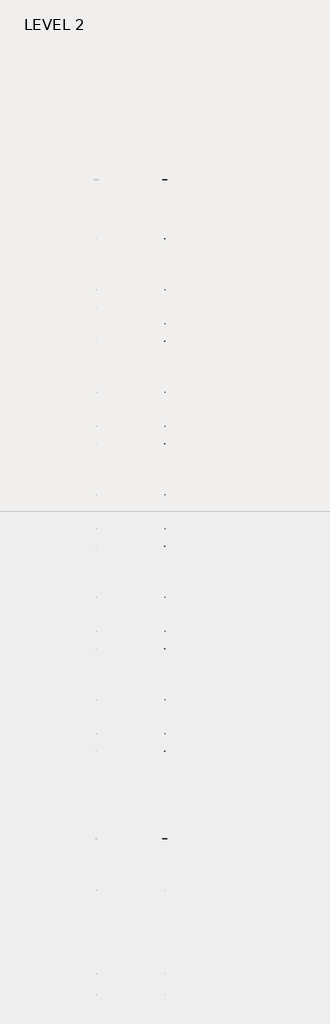
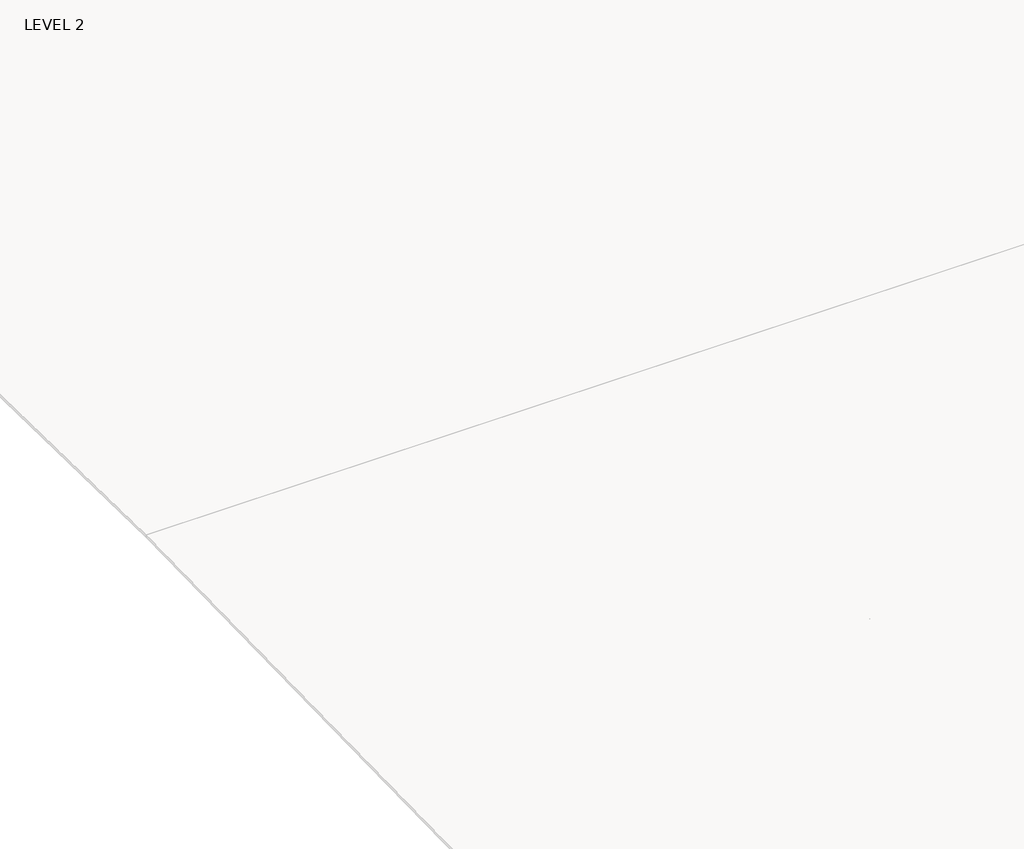
# One storey, part 15 of 67: 1 beam.
"""IFC4 building model written with IfcOpenShell, lengths in millimetres."""

from ifc_helpers import new_model, si_unit, frame, origin, place, context, project, spatial, polyline, outline, extrude, faceted_brep, element, save

model = new_model("IFC4")

# Units and contexts
model_context = context("Model", 3, world=origin())
ifc_project = project(units=[si_unit("LENGTHUNIT", "METRE", prefix="MILLI")], contexts=[model_context])

# Site, building, storey
site = spatial("IfcSite", under=ifc_project)
building = spatial("IfcBuilding", under=site)
storey = spatial("IfcBuildingStorey", under=building, Name="LEVEL 2", Elevation=6908.8)

# Beam
placement = place(None, origin())
element("IfcBeam", 1, ObjectType="K-Series Bar Joist-Angle Web : 20K3", at=placement, inside=storey, context=model_context, shape_type="SolidModel", body=[
    extrude(outline(polyline([(0.0, -9.525), (0.0, 0.0), (1028.0726483, 0.0), (1028.0726483, -9.525), (0.0, -9.525)])), frame((11206.0414942, 3036.3613819, 6301.6524755), z_axis=(0.0, -0.4584874411358172, 0.8887008868684282), x_axis=(0.0, -0.8887008868684282, -0.4584874411358172)), (0.0, 0.0, 1.0), 9.525),
    extrude(outline(polyline([(0.0, -9.525), (0.0, 0.0), (1028.0726483, 0.0), (1028.0726483, -9.525), (0.0, -9.525)])), frame((11196.5164942, -8186.8404127, 6283.7449661), z_axis=(0.0, 0.4556491282309416, 0.8901594643334322), x_axis=(0.0, 0.8901594643334322, -0.4556491282309416)), (0.0, 0.0, 1.0), 9.525),
    extrude(outline(polyline([(4.7625, 4.7624999), (4.7625, -4.7625), (-4.7625, -4.7625), (-4.7625, 4.7624999), (4.7625, 4.7624999)])), frame((11201.2789942, 2120.5287612, 5834.5265157), z_axis=(0.0, 0.5283228890365935, 0.849043535350236), x_axis=(-1.0, 0.0, 0.0)), (0.0, 0.0, 1.0), 553.9970421),
    extrude(outline(polyline([(4.7625, 4.7624999), (4.7625, -4.7625), (-4.7625, -4.7625), (-4.7625, 4.7624999), (4.7625, 4.7624999)])), frame((11201.2789942, -7269.5217859, 5819.5439446), z_axis=(0.0, -0.5310296247827163, 0.8473532543178952), x_axis=(-1.0, 0.0, 0.0)), (0.0, 0.0, 1.0), 553.9970421),
    extrude(outline(polyline([(0.0, 0.0), (31.75, 0.0), (31.75, -6.3500001), (6.35, -6.3500001), (6.35, -31.75), (0.0, -31.75), (0.0, 0.0)])), frame((11206.0414942, -7371.1115246, 5813.031842), z_axis=(0.0, 0.999998727065644, 0.0015955773537672019), x_axis=(1.0, 0.0, 0.0)), (0.0, 0.0, 1.0), 9593.2625),
    extrude(outline(polyline([(-9.525, 0.0), (-9.525, -31.75), (-15.875, -31.75), (-15.875, -6.3500001), (-41.275, -6.3500001), (-41.275, 0.0), (-9.525, 0.0)])), frame((11206.0414942, -7371.1115246, 5813.031842), z_axis=(0.0, 0.999998727065644, 0.0015955773537672019), x_axis=(1.0, 0.0, 0.0)), (0.0, 0.0, 1.0), 9593.2625),
    extrude(outline(polyline([(-31.75, 0.0), (0.0, 0.0), (0.0, -6.35), (-25.4, -6.35), (-25.4, -31.75), (-31.75, -31.75), (-31.75, 0.0)])), frame((11237.7914942, -8286.2195948, 6256.0722803), z_axis=(0.0, 0.999998727065644, 0.0015955773537672019), x_axis=(1.0, 0.0, 0.0)), (0.0, 0.0, 1.0), 101.6),
    extrude(outline(polyline([(-41.275, 0.0), (-41.275, -31.75), (-47.625, -31.75), (-47.625, -6.35), (-73.025, -6.35), (-73.025, 0.0), (-41.275, 0.0)])), frame((11237.7914942, -8286.2195948, 6256.0722803), z_axis=(0.0, 0.999998727065644, 0.0015955773537672019), x_axis=(1.0, 0.0, 0.0)), (0.0, 0.0, 1.0), 101.6),
    extrude(outline(polyline([(0.0, 0.0), (31.75, 0.0), (31.75, -6.35), (6.35, -6.35), (6.35, -31.75), (0.0, -31.75), (0.0, 0.0)])), frame((11196.5164942, 3034.228495, 6274.1349539), z_axis=(0.0, 0.999998727065644, 0.0015955773537672019), x_axis=(0.0, -0.0015955773537672019, 0.999998727065644)), (0.0, 0.0, 1.0), 101.6),
    extrude(outline(polyline([(0.0, 41.275), (6.35, 41.275), (6.35, 15.875), (31.75, 15.875), (31.75, 9.525), (0.0, 9.525), (0.0, 41.275)])), frame((11196.5164942, 3034.228495, 6274.1349539), z_axis=(0.0, 0.999998727065644, 0.0015955773537672019), x_axis=(0.0, -0.0015955773537672019, 0.999998727065644)), (0.0, 0.0, 1.0), 101.6),
    extrude(outline(polyline([(0.0, 0.0), (31.75, 0.0), (31.75, -6.35), (6.3500001, -6.35), (6.3500001, -31.75), (0.0, -31.75), (0.0, 0.0)])), frame((11206.0414942, -8286.3209139, 6319.5721995), z_axis=(0.0, 0.999998727065644, 0.0015955773537672019), x_axis=(0.0, 0.0015955773537672019, -0.999998727065644)), (0.0, 0.0, 1.0), 11422.0625),
    extrude(outline(polyline([(0.0, 9.525), (0.0, 41.275), (6.3500001, 41.275), (6.3500001, 15.875), (31.75, 15.875), (31.75, 9.525), (0.0, 9.525)])), frame((11206.0414942, -8286.3209139, 6319.5721995), z_axis=(0.0, 0.999998727065644, 0.0015955773537672019), x_axis=(0.0, 0.0015955773537672019, -0.999998727065644)), (0.0, 0.0, 1.0), 11422.0625),
    faceted_brep([(11201.2789942, 2120.5034314, 5850.4014955), (11201.2789942, 2120.5338272, 5831.3515197), (11196.5164942, 2120.5338272, 5831.3515197), (11196.5164942, 2120.5034314, 5850.4014955), (11201.2789942, 2119.6319284, 5850.4001049), (11201.2789942, 1838.122807, 6332.5515491), (11201.2789942, 1819.9443343, 6332.5225439), (11201.2789942, 1819.97473, 6313.4725681), (11201.2789942, 1827.196225, 6313.4840906), (11201.2789942, 2108.7053464, 5831.3326464), (11196.5164942, 2108.7053464, 5831.3326464), (11196.5164942, 2088.3329757, 5866.2251852), (11196.5164942, 2092.445779, 5868.626488), (11196.5164942, 1840.5691967, 6300.0251486), (11196.5164942, 1836.4563934, 6297.6238457), (11196.5164942, 1827.196225, 6313.4840906), (11196.5164942, 1819.97473, 6313.4725681), (11196.5164942, 1819.9443343, 6332.5225439), (11196.5164942, 1838.122807, 6332.5515491), (11196.5164942, 2119.6319284, 5850.4001049), (11183.8164942, 1836.4563934, 6297.6238457), (11183.8164942, 2088.3329757, 5866.2251852), (11183.8164942, 2092.445779, 5868.626488), (11183.8164942, 1840.5691967, 6300.0251486)], [[[0, 1, 2, 3]], [[1, 0, 4, 5, 6, 7, 8, 9]], [[2, 1, 9, 10]], [[3, 2, 10, 11, 12, 13, 14, 15, 16, 17, 18, 19]], [[0, 3, 19, 4]], [[9, 8, 15, 14, 20, 21, 11, 10]], [[5, 4, 19, 18]], [[7, 6, 17, 16]], [[8, 7, 16, 15]], [[6, 5, 18, 17]], [[21, 22, 12, 11]], [[20, 14, 13, 23]], [[22, 21, 20, 23]], [[12, 22, 23, 13]]]),
    extrude(outline(polyline([(1533.655668, 5830.415109), (1533.6252722, 5849.4650848), (1534.4967752, 5849.4664753), (1814.4658454, 6332.5138025), (1832.6443181, 6332.5428077), (1832.6747139, 6313.492832), (1825.4532189, 6313.4813095), (1545.4841488, 5830.4339823), (1533.655668, 5830.415109)])), frame((11201.2789942, 0.0, 0.0), z_axis=(1.0, 0.0, 0.0), x_axis=(0.0, 1.0, 0.0)), (0.0, 0.0, 1.0), 4.7625),
    extrude(outline(polyline([(-4.7625, 4.7624999), (-4.7625, 0.0), (-17.4625, 0.0), (-17.4625, 4.7624999), (-4.7625, 4.7624999)])), frame((11201.2789942, 1565.7450683, 5865.3913547), z_axis=(0.0, 0.5014521894752458, 0.8651853568285136), x_axis=(-1.0, 0.0, 0.0)), (0.0, 0.0, 1.0), 499.5464113),
    faceted_brep([(11201.2789942, -6682.6689565, 5836.3553351), (11201.2789942, -6682.6385607, 5817.3053593), (11196.5164942, -6682.6385607, 5817.3053593), (11196.5164942, -6682.6689565, 5836.3553351), (11201.2789942, -6683.5404595, 5836.3539445), (11201.2789942, -6965.0495809, 6318.5053887), (11201.2789942, -6983.2280536, 6318.4763835), (11201.2789942, -6983.1976579, 6299.4264078), (11201.2789942, -6975.9761629, 6299.4379302), (11201.2789942, -6694.4670415, 5817.2864861), (11196.5164942, -6694.4670415, 5817.2864861), (11196.5164942, -6714.8394122, 5852.1790248), (11196.5164942, -6710.7266089, 5854.5803276), (11196.5164942, -6962.6031912, 6285.9789882), (11196.5164942, -6966.7159944, 6283.5776854), (11196.5164942, -6975.9761629, 6299.4379302), (11196.5164942, -6983.1976579, 6299.4264078), (11196.5164942, -6983.2280536, 6318.4763835), (11196.5164942, -6965.0495809, 6318.5053887), (11196.5164942, -6683.5404595, 5836.3539445), (11183.8164942, -6966.7159944, 6283.5776854), (11183.8164942, -6714.8394122, 5852.1790248), (11183.8164942, -6710.7266089, 5854.5803276), (11183.8164942, -6962.6031912, 6285.9789882)], [[[0, 1, 2, 3]], [[1, 0, 4, 5, 6, 7, 8, 9]], [[2, 1, 9, 10]], [[3, 2, 10, 11, 12, 13, 14, 15, 16, 17, 18, 19]], [[0, 3, 19, 4]], [[9, 8, 15, 14, 20, 21, 11, 10]], [[5, 4, 19, 18]], [[7, 6, 17, 16]], [[8, 7, 16, 15]], [[6, 5, 18, 17]], [[21, 22, 12, 11]], [[20, 14, 13, 23]], [[22, 21, 20, 23]], [[12, 22, 23, 13]]]),
    extrude(outline(polyline([(-7269.5167199, 5816.3689487), (-7269.5471156, 5835.4189244), (-7268.6756126, 5835.420315), (-6988.7065425, 6318.4676421), (-6970.5280698, 6318.4966473), (-6970.497674, 6299.4466716), (-6977.719169, 6299.4351491), (-7257.6882391, 5816.3878219), (-7269.5167199, 5816.3689487)])), frame((11201.2789942, 0.0, 0.0), z_axis=(1.0, 0.0, 0.0), x_axis=(0.0, 1.0, 0.0)), (0.0, 0.0, 1.0), 4.7625),
    extrude(outline(polyline([(-4.7625, 4.7625), (-4.7625, 0.0), (-17.4625, 0.0), (-17.4625, 4.7625), (-4.7625, 4.7625)])), frame((11201.2789942, -7237.4273195, 5851.3451943), z_axis=(0.0, 0.5014521894752458, 0.8651853568285136), x_axis=(-1.0, 0.0, 0.0)), (0.0, 0.0, 1.0), 499.5464113),
    faceted_brep([(11201.2789942, 1533.6252722, 5849.4650848), (11201.2789942, 1533.655668, 5830.415109), (11196.5164942, 1533.655668, 5830.415109), (11196.5164942, 1533.6252722, 5849.4650848), (11201.2789942, 1532.7537692, 5849.4636942), (11201.2789942, 1251.2446478, 6331.6151384), (11201.2789942, 1233.0661751, 6331.5861332), (11201.2789942, 1233.0965708, 6312.5361575), (11201.2789942, 1240.3180658, 6312.5476799), (11201.2789942, 1521.8271872, 5830.3962358), (11196.5164942, 1521.8271872, 5830.3962358), (11196.5164942, 1501.4548165, 5865.2887745), (11196.5164942, 1505.5676198, 5867.6900773), (11196.5164942, 1253.6910375, 6299.0887379), (11196.5164942, 1249.5782342, 6296.687435), (11196.5164942, 1240.3180658, 6312.5476799), (11196.5164942, 1233.0965708, 6312.5361575), (11196.5164942, 1233.0661751, 6331.5861332), (11196.5164942, 1251.2446478, 6331.6151384), (11196.5164942, 1532.7537692, 5849.4636942), (11183.8164942, 1249.5782342, 6296.687435), (11183.8164942, 1501.4548165, 5865.2887745), (11183.8164942, 1505.5676198, 5867.6900773), (11183.8164942, 1253.6910375, 6299.0887379)], [[[0, 1, 2, 3]], [[1, 0, 4, 5, 6, 7, 8, 9]], [[2, 1, 9, 10]], [[3, 2, 10, 11, 12, 13, 14, 15, 16, 17, 18, 19]], [[0, 3, 19, 4]], [[9, 8, 15, 14, 20, 21, 11, 10]], [[5, 4, 19, 18]], [[7, 6, 17, 16]], [[8, 7, 16, 15]], [[6, 5, 18, 17]], [[21, 22, 12, 11]], [[20, 14, 13, 23]], [[22, 21, 20, 23]], [[12, 22, 23, 13]]]),
    extrude(outline(polyline([(946.7775088, 5829.4786983), (946.747113, 5848.5286741), (947.6186161, 5848.5300646), (1227.5876862, 6331.5773918), (1245.7661589, 6331.606397), (1245.7965547, 6312.5564213), (1238.5750597, 6312.5448988), (958.6059896, 5829.4975716), (946.7775088, 5829.4786983)])), frame((11201.2789942, 0.0, 0.0), z_axis=(1.0, 0.0, 0.0), x_axis=(0.0, 1.0, 0.0)), (0.0, 0.0, 1.0), 4.7625),
    extrude(outline(polyline([(-4.7625, 4.7624999), (-4.7625, 0.0), (-17.4625, 0.0), (-17.4625, 4.7624999), (-4.7625, 4.7624999)])), frame((11201.2789942, 978.8669091, 5864.454944), z_axis=(0.0, 0.5014521894752458, 0.8651853568285136), x_axis=(-1.0, 0.0, 0.0)), (0.0, 0.0, 1.0), 499.5464113),
    faceted_brep([(11201.2789942, 946.747113, 5848.5286741), (11201.2789942, 946.7775088, 5829.4786983), (11196.5164942, 946.7775088, 5829.4786983), (11196.5164942, 946.747113, 5848.5286741), (11201.2789942, 945.87561, 5848.5272835), (11201.2789942, 664.3664886, 6330.6787277), (11201.2789942, 646.1880159, 6330.6497225), (11201.2789942, 646.2184116, 6311.5997468), (11201.2789942, 653.4399066, 6311.6112692), (11201.2789942, 934.949028, 5829.4598251), (11196.5164942, 934.949028, 5829.4598251), (11196.5164942, 914.5766573, 5864.3523638), (11196.5164942, 918.6894606, 5866.7536666), (11196.5164942, 666.8128783, 6298.1523272), (11196.5164942, 662.700075, 6295.7510244), (11196.5164942, 653.4399066, 6311.6112692), (11196.5164942, 646.2184116, 6311.5997468), (11196.5164942, 646.1880159, 6330.6497225), (11196.5164942, 664.3664886, 6330.6787277), (11196.5164942, 945.87561, 5848.5272835), (11183.8164942, 662.700075, 6295.7510244), (11183.8164942, 914.5766573, 5864.3523638), (11183.8164942, 918.6894606, 5866.7536666), (11183.8164942, 666.8128783, 6298.1523272)], [[[0, 1, 2, 3]], [[1, 0, 4, 5, 6, 7, 8, 9]], [[2, 1, 9, 10]], [[3, 2, 10, 11, 12, 13, 14, 15, 16, 17, 18, 19]], [[0, 3, 19, 4]], [[9, 8, 15, 14, 20, 21, 11, 10]], [[5, 4, 19, 18]], [[7, 6, 17, 16]], [[8, 7, 16, 15]], [[6, 5, 18, 17]], [[21, 22, 12, 11]], [[20, 14, 13, 23]], [[22, 21, 20, 23]], [[12, 22, 23, 13]]]),
    extrude(outline(polyline([(359.8993496, 5828.5422877), (359.8689538, 5847.5922634), (360.7404569, 5847.593654), (640.709527, 6330.6409811), (658.8879997, 6330.6699863), (658.9183955, 6311.6200106), (651.6969005, 6311.6084881), (371.7278304, 5828.5611609), (359.8993496, 5828.5422877)])), frame((11201.2789942, 0.0, 0.0), z_axis=(1.0, 0.0, 0.0), x_axis=(0.0, 1.0, 0.0)), (0.0, 0.0, 1.0), 4.7625),
    extrude(outline(polyline([(-4.7625, 4.7625), (-4.7625, 0.0), (-17.4625, 0.0), (-17.4625, 4.7625), (-4.7625, 4.7625)])), frame((11201.2789942, 391.98875, 5863.5185333), z_axis=(0.0, 0.5014521894752458, 0.8651853568285136), x_axis=(-1.0, 0.0, 0.0)), (0.0, 0.0, 1.0), 499.5464113),
    faceted_brep([(11201.2789942, 359.8689538, 5847.5922634), (11201.2789942, 359.8993496, 5828.5422877), (11196.5164942, 359.8993496, 5828.5422877), (11196.5164942, 359.8689538, 5847.5922634), (11201.2789942, 358.9974508, 5847.5908728), (11201.2789942, 77.4883294, 6329.742317), (11201.2789942, 59.3098567, 6329.7133118), (11201.2789942, 59.3402524, 6310.6633361), (11201.2789942, 66.5617474, 6310.6748585), (11201.2789942, 348.0708688, 5828.5234144), (11196.5164942, 348.0708688, 5828.5234144), (11196.5164942, 327.6984981, 5863.4159531), (11196.5164942, 331.8113014, 5865.8172559), (11196.5164942, 79.9347191, 6297.2159165), (11196.5164942, 75.8219159, 6294.8146137), (11196.5164942, 66.5617474, 6310.6748585), (11196.5164942, 59.3402524, 6310.6633361), (11196.5164942, 59.3098567, 6329.7133118), (11196.5164942, 77.4883294, 6329.742317), (11196.5164942, 358.9974508, 5847.5908728), (11183.8164942, 75.8219159, 6294.8146137), (11183.8164942, 327.6984981, 5863.4159531), (11183.8164942, 331.8113014, 5865.8172559), (11183.8164942, 79.9347191, 6297.2159165)], [[[0, 1, 2, 3]], [[1, 0, 4, 5, 6, 7, 8, 9]], [[2, 1, 9, 10]], [[3, 2, 10, 11, 12, 13, 14, 15, 16, 17, 18, 19]], [[0, 3, 19, 4]], [[9, 8, 15, 14, 20, 21, 11, 10]], [[5, 4, 19, 18]], [[7, 6, 17, 16]], [[8, 7, 16, 15]], [[6, 5, 18, 17]], [[21, 22, 12, 11]], [[20, 14, 13, 23]], [[22, 21, 20, 23]], [[12, 22, 23, 13]]]),
    extrude(outline(polyline([(-226.9788096, 5827.605877), (-227.0092053, 5846.6558527), (-226.1377023, 5846.6572433), (53.8313678, 6329.7045705), (72.0098405, 6329.7335757), (72.0402363, 6310.6835999), (64.8187413, 6310.6720774), (-215.1503288, 5827.6247502), (-226.9788096, 5827.605877)])), frame((11201.2789942, 0.0, 0.0), z_axis=(1.0, 0.0, 0.0), x_axis=(0.0, 1.0, 0.0)), (0.0, 0.0, 1.0), 4.7625),
    extrude(outline(polyline([(-4.7625, 4.7625001), (-4.7625, 0.0), (-17.4625, 0.0), (-17.4625, 4.7625001), (-4.7625, 4.7625001)])), frame((11201.2789942, -194.8894092, 5862.5821226), z_axis=(0.0, 0.5014521894752458, 0.8651853568285136), x_axis=(-1.0, 0.0, 0.0)), (0.0, 0.0, 1.0), 499.5464113),
    faceted_brep([(11201.2789942, -527.5379067, 6309.7269254), (11201.2789942, -527.5683025, 6328.7769011), (11196.5164942, -527.5683025, 6328.7769011), (11196.5164942, -527.5379067, 6309.7269254), (11201.2789942, -520.3164118, 6309.7384478), (11196.5164942, -520.3164118, 6309.7384478), (11183.8164942, -255.0668578, 5864.8808453), (11183.8164942, -259.179661, 5862.4795424), (11183.8164942, -511.0562433, 6293.878203), (11183.8164942, -506.9434401, 6296.2795058), (11201.2789942, -227.0092053, 5846.6558527), (11201.2789942, -226.9788096, 5827.605877), (11196.5164942, -226.9788096, 5827.605877), (11196.5164942, -227.0092053, 5846.6558527), (11201.2789942, -227.8807084, 5846.6544622), (11201.2789942, -509.3898298, 6328.8059063), (11201.2789942, -238.8072904, 5827.5870037), (11196.5164942, -238.8072904, 5827.5870037), (11196.5164942, -259.179661, 5862.4795424), (11196.5164942, -255.0668578, 5864.8808453), (11196.5164942, -506.9434401, 6296.2795058), (11196.5164942, -511.0562433, 6293.878203), (11196.5164942, -509.3898298, 6328.8059063), (11196.5164942, -227.8807084, 5846.6544622)], [[[0, 1, 2, 3]], [[4, 0, 3, 5]], [[6, 7, 8, 9]], [[10, 11, 12, 13]], [[11, 10, 14, 15, 1, 0, 4, 16]], [[12, 11, 16, 17]], [[13, 12, 17, 18, 19, 20, 21, 5, 3, 2, 22, 23]], [[10, 13, 23, 14]], [[16, 4, 5, 21, 8, 7, 18, 17]], [[15, 14, 23, 22]], [[1, 15, 22, 2]], [[7, 6, 19, 18]], [[8, 21, 20, 9]], [[19, 6, 9, 20]]]),
    extrude(outline(polyline([(-813.8569688, 5826.6694663), (-813.8873645, 5845.719442), (-813.0158615, 5845.7208326), (-533.0467914, 6328.7681598), (-514.8683187, 6328.797165), (-514.8379229, 6309.7471892), (-522.0594178, 6309.7356667), (-802.028488, 5826.6883395), (-813.8569688, 5826.6694663)])), frame((11201.2789942, 0.0, 0.0), z_axis=(1.0, 0.0, 0.0), x_axis=(0.0, 1.0, 0.0)), (0.0, 0.0, 1.0), 4.7625),
    extrude(outline(polyline([(-4.7625, 4.7625001), (-4.7625, 0.0), (-17.4625, 0.0), (-17.4625, 4.7625001), (-4.7625, 4.7625001)])), frame((11201.2789942, -781.7675684, 5861.6457119), z_axis=(0.0, 0.5014521894752458, 0.8651853568285136), x_axis=(-1.0, 0.0, 0.0)), (0.0, 0.0, 1.0), 499.5464113),
    faceted_brep([(11201.2789942, -1114.4160659, 6308.7905147), (11201.2789942, -1114.4464617, 6327.8404904), (11196.5164942, -1114.4464617, 6327.8404904), (11196.5164942, -1114.4160659, 6308.7905147), (11201.2789942, -1107.194571, 6308.8020372), (11196.5164942, -1107.194571, 6308.8020372), (11183.8164942, -841.9450169, 5863.9444346), (11183.8164942, -846.0578202, 5861.5431317), (11183.8164942, -1097.9344025, 6292.9417923), (11183.8164942, -1093.8215992, 6295.3430951), (11201.2789942, -813.8873645, 5845.719442), (11201.2789942, -813.8569688, 5826.6694663), (11196.5164942, -813.8569688, 5826.6694663), (11196.5164942, -813.8873645, 5845.719442), (11201.2789942, -814.7588676, 5845.7180515), (11201.2789942, -1096.267989, 6327.8694956), (11201.2789942, -825.6854496, 5826.650593), (11196.5164942, -825.6854496, 5826.650593), (11196.5164942, -846.0578202, 5861.5431317), (11196.5164942, -841.9450169, 5863.9444346), (11196.5164942, -1093.8215992, 6295.3430951), (11196.5164942, -1097.9344025, 6292.9417923), (11196.5164942, -1096.267989, 6327.8694956), (11196.5164942, -814.7588676, 5845.7180515)], [[[0, 1, 2, 3]], [[4, 0, 3, 5]], [[6, 7, 8, 9]], [[10, 11, 12, 13]], [[11, 10, 14, 15, 1, 0, 4, 16]], [[12, 11, 16, 17]], [[13, 12, 17, 18, 19, 20, 21, 5, 3, 2, 22, 23]], [[10, 13, 23, 14]], [[16, 4, 5, 21, 8, 7, 18, 17]], [[15, 14, 23, 22]], [[1, 15, 22, 2]], [[7, 6, 19, 18]], [[8, 21, 20, 9]], [[19, 6, 9, 20]]]),
    extrude(outline(polyline([(-1400.735128, 5825.7330556), (-1400.7655237, 5844.7830313), (-1399.8940207, 5844.7844219), (-1119.9249506, 6327.8317491), (-1101.7464778, 6327.8607543), (-1101.7160821, 6308.8107785), (-1108.937577, 6308.799256), (-1388.9066472, 5825.7519289), (-1400.735128, 5825.7330556)])), frame((11201.2789942, 0.0, 0.0), z_axis=(1.0, 0.0, 0.0), x_axis=(0.0, 1.0, 0.0)), (0.0, 0.0, 1.0), 4.7625),
    extrude(outline(polyline([(-4.7625, 4.7625001), (-4.7625, 0.0), (-17.4625, 0.0), (-17.4625, 4.7625001), (-4.7625, 4.7625001)])), frame((11201.2789942, -1368.6457276, 5860.7093012), z_axis=(0.0, 0.5014521894752458, 0.8651853568285136), x_axis=(-1.0, 0.0, 0.0)), (0.0, 0.0, 1.0), 499.5464113),
    faceted_brep([(11201.2789942, -1701.2942251, 6307.854104), (11201.2789942, -1701.3246209, 6326.9040797), (11196.5164942, -1701.3246209, 6326.9040797), (11196.5164942, -1701.2942251, 6307.854104), (11201.2789942, -1694.0727302, 6307.8656265), (11196.5164942, -1694.0727302, 6307.8656265), (11183.8164942, -1428.8231761, 5863.0080239), (11183.8164942, -1432.9359794, 5860.606721), (11183.8164942, -1684.8125617, 6292.0053816), (11183.8164942, -1680.6997584, 6294.4066844), (11201.2789942, -1400.7655237, 5844.7830313), (11201.2789942, -1400.735128, 5825.7330556), (11196.5164942, -1400.735128, 5825.7330556), (11196.5164942, -1400.7655237, 5844.7830313), (11201.2789942, -1401.6370267, 5844.7816408), (11201.2789942, -1683.1461481, 6326.9330849), (11201.2789942, -1412.5636088, 5825.7141823), (11196.5164942, -1412.5636088, 5825.7141823), (11196.5164942, -1432.9359794, 5860.606721), (11196.5164942, -1428.8231761, 5863.0080239), (11196.5164942, -1680.6997584, 6294.4066844), (11196.5164942, -1684.8125617, 6292.0053816), (11196.5164942, -1683.1461481, 6326.9330849), (11196.5164942, -1401.6370267, 5844.7816408)], [[[0, 1, 2, 3]], [[4, 0, 3, 5]], [[6, 7, 8, 9]], [[10, 11, 12, 13]], [[11, 10, 14, 15, 1, 0, 4, 16]], [[12, 11, 16, 17]], [[13, 12, 17, 18, 19, 20, 21, 5, 3, 2, 22, 23]], [[10, 13, 23, 14]], [[16, 4, 5, 21, 8, 7, 18, 17]], [[15, 14, 23, 22]], [[1, 15, 22, 2]], [[7, 6, 19, 18]], [[8, 21, 20, 9]], [[19, 6, 9, 20]]]),
    extrude(outline(polyline([(-1987.6132872, 5824.7966449), (-1987.6436829, 5843.8466206), (-1986.7721799, 5843.8480112), (-1706.8031098, 6326.8953384), (-1688.624637, 6326.9243436), (-1688.5942413, 6307.8743678), (-1695.8157362, 6307.8628454), (-1975.7848064, 5824.8155182), (-1987.6132872, 5824.7966449)])), frame((11201.2789942, 0.0, 0.0), z_axis=(1.0, 0.0, 0.0), x_axis=(0.0, 1.0, 0.0)), (0.0, 0.0, 1.0), 4.7625),
    extrude(outline(polyline([(-4.7625, 4.7625001), (-4.7625, 0.0), (-17.4625, 0.0), (-17.4625, 4.7625001), (-4.7625, 4.7625001)])), frame((11201.2789942, -1955.5238868, 5859.7728905), z_axis=(0.0, 0.5014521894752458, 0.8651853568285136), x_axis=(-1.0, 0.0, 0.0)), (0.0, 0.0, 1.0), 499.5464113),
    faceted_brep([(11201.2789942, -2288.1723843, 6306.9176933), (11201.2789942, -2288.2027801, 6325.9676691), (11196.5164942, -2288.2027801, 6325.9676691), (11196.5164942, -2288.1723843, 6306.9176933), (11201.2789942, -2280.9508894, 6306.9292158), (11196.5164942, -2280.9508894, 6306.9292158), (11183.8164942, -2015.7013353, 5862.0716132), (11183.8164942, -2019.8141386, 5859.6703103), (11183.8164942, -2271.6907209, 6291.0689709), (11183.8164942, -2267.5779176, 6293.4702737), (11201.2789942, -1987.6436829, 5843.8466206), (11201.2789942, -1987.6132872, 5824.7966449), (11196.5164942, -1987.6132872, 5824.7966449), (11196.5164942, -1987.6436829, 5843.8466206), (11201.2789942, -1988.5151859, 5843.8452301), (11201.2789942, -2270.0243073, 6325.9966742), (11201.2789942, -1999.441768, 5824.7777716), (11196.5164942, -1999.441768, 5824.7777716), (11196.5164942, -2019.8141386, 5859.6703103), (11196.5164942, -2015.7013353, 5862.0716132), (11196.5164942, -2267.5779176, 6293.4702737), (11196.5164942, -2271.6907209, 6291.0689709), (11196.5164942, -2270.0243073, 6325.9966742), (11196.5164942, -1988.5151859, 5843.8452301)], [[[0, 1, 2, 3]], [[4, 0, 3, 5]], [[6, 7, 8, 9]], [[10, 11, 12, 13]], [[11, 10, 14, 15, 1, 0, 4, 16]], [[12, 11, 16, 17]], [[13, 12, 17, 18, 19, 20, 21, 5, 3, 2, 22, 23]], [[10, 13, 23, 14]], [[16, 4, 5, 21, 8, 7, 18, 17]], [[15, 14, 23, 22]], [[1, 15, 22, 2]], [[7, 6, 19, 18]], [[8, 21, 20, 9]], [[19, 6, 9, 20]]]),
    extrude(outline(polyline([(-2574.4914464, 5823.8602342), (-2574.5218421, 5842.9102099), (-2573.6503391, 5842.9116005), (-2293.681269, 6325.9589277), (-2275.5027962, 6325.9879329), (-2275.4724005, 6306.9379571), (-2282.6938954, 6306.9264347), (-2562.6629655, 5823.8791075), (-2574.4914464, 5823.8602342)])), frame((11201.2789942, 0.0, 0.0), z_axis=(1.0, 0.0, 0.0), x_axis=(0.0, 1.0, 0.0)), (0.0, 0.0, 1.0), 4.7625),
    extrude(outline(polyline([(-4.7625, 4.7625001), (-4.7625, 0.0), (-17.4625, 0.0), (-17.4625, 4.7625001), (-4.7625, 4.7625001)])), frame((11201.2789942, -2542.402046, 5858.8364798), z_axis=(0.0, 0.5014521894752458, 0.8651853568285136), x_axis=(-1.0, 0.0, 0.0)), (0.0, 0.0, 1.0), 499.5464113),
    faceted_brep([(11201.2789942, -2574.5218421, 5842.9102099), (11201.2789942, -2574.4914464, 5823.8602342), (11196.5164942, -2574.4914464, 5823.8602342), (11196.5164942, -2574.5218421, 5842.9102099), (11201.2789942, -2575.3933451, 5842.9088194), (11201.2789942, -2856.9024665, 6325.0602636), (11201.2789942, -2875.0809393, 6325.0312584), (11201.2789942, -2875.0505435, 6305.9812826), (11201.2789942, -2867.8290486, 6305.9928051), (11201.2789942, -2586.3199272, 5823.8413609), (11196.5164942, -2586.3199272, 5823.8413609), (11196.5164942, -2606.6922978, 5858.7338996), (11196.5164942, -2602.5794945, 5861.1352025), (11196.5164942, -2854.4560768, 6292.5338631), (11196.5164942, -2858.5688801, 6290.1325602), (11196.5164942, -2867.8290486, 6305.9928051), (11196.5164942, -2875.0505435, 6305.9812826), (11196.5164942, -2875.0809393, 6325.0312584), (11196.5164942, -2856.9024665, 6325.0602636), (11196.5164942, -2575.3933451, 5842.9088194), (11183.8164942, -2858.5688801, 6290.1325602), (11183.8164942, -2606.6922978, 5858.7338996), (11183.8164942, -2602.5794945, 5861.1352025), (11183.8164942, -2854.4560768, 6292.5338631)], [[[0, 1, 2, 3]], [[1, 0, 4, 5, 6, 7, 8, 9]], [[2, 1, 9, 10]], [[3, 2, 10, 11, 12, 13, 14, 15, 16, 17, 18, 19]], [[0, 3, 19, 4]], [[9, 8, 15, 14, 20, 21, 11, 10]], [[5, 4, 19, 18]], [[7, 6, 17, 16]], [[8, 7, 16, 15]], [[6, 5, 18, 17]], [[21, 22, 12, 11]], [[20, 14, 13, 23]], [[22, 21, 20, 23]], [[12, 22, 23, 13]]]),
    extrude(outline(polyline([(-3161.3696056, 5822.9238235), (-3161.4000013, 5841.9737992), (-3160.5284983, 5841.9751898), (-2880.5594282, 6325.022517), (-2862.3809554, 6325.0515222), (-2862.3505597, 6306.0015464), (-2869.5720546, 6305.990024), (-3149.5411247, 5822.9426968), (-3161.3696056, 5822.9238235)])), frame((11201.2789942, 0.0, 0.0), z_axis=(1.0, 0.0, 0.0), x_axis=(0.0, 1.0, 0.0)), (0.0, 0.0, 1.0), 4.7625),
    extrude(outline(polyline([(-4.7625, 4.7625001), (-4.7625, 0.0), (-17.4625, 0.0), (-17.4625, 4.7625001), (-4.7625, 4.7625001)])), frame((11201.2789942, -3129.2802052, 5857.9000691), z_axis=(0.0, 0.5014521894752458, 0.8651853568285136), x_axis=(-1.0, 0.0, 0.0)), (0.0, 0.0, 1.0), 499.5464113),
    faceted_brep([(11201.2789942, -3161.4000013, 5841.9737992), (11201.2789942, -3161.3696056, 5822.9238235), (11196.5164942, -3161.3696056, 5822.9238235), (11196.5164942, -3161.4000013, 5841.9737992), (11201.2789942, -3162.2715043, 5841.9724087), (11201.2789942, -3443.7806257, 6324.1238529), (11201.2789942, -3461.9590984, 6324.0948477), (11201.2789942, -3461.9287027, 6305.0448719), (11201.2789942, -3454.7072078, 6305.0563944), (11201.2789942, -3173.1980864, 5822.9049502), (11196.5164942, -3173.1980864, 5822.9049502), (11196.5164942, -3193.570457, 5857.7974889), (11196.5164942, -3189.4576537, 5860.1987918), (11196.5164942, -3441.334236, 6291.5974524), (11196.5164942, -3445.4470393, 6289.1961495), (11196.5164942, -3454.7072078, 6305.0563944), (11196.5164942, -3461.9287027, 6305.0448719), (11196.5164942, -3461.9590984, 6324.0948477), (11196.5164942, -3443.7806257, 6324.1238529), (11196.5164942, -3162.2715043, 5841.9724087), (11183.8164942, -3445.4470393, 6289.1961495), (11183.8164942, -3193.570457, 5857.7974889), (11183.8164942, -3189.4576537, 5860.1987918), (11183.8164942, -3441.334236, 6291.5974524)], [[[0, 1, 2, 3]], [[1, 0, 4, 5, 6, 7, 8, 9]], [[2, 1, 9, 10]], [[3, 2, 10, 11, 12, 13, 14, 15, 16, 17, 18, 19]], [[0, 3, 19, 4]], [[9, 8, 15, 14, 20, 21, 11, 10]], [[5, 4, 19, 18]], [[7, 6, 17, 16]], [[8, 7, 16, 15]], [[6, 5, 18, 17]], [[21, 22, 12, 11]], [[20, 14, 13, 23]], [[22, 21, 20, 23]], [[12, 22, 23, 13]]]),
    extrude(outline(polyline([(-3748.2477647, 5821.9874128), (-3748.2781605, 5841.0373886), (-3747.4066575, 5841.0387791), (-3467.4375873, 6324.0861063), (-3449.2591146, 6324.1151115), (-3449.2287189, 6305.0651357), (-3456.4502138, 6305.0536133), (-3736.4192839, 5822.0062861), (-3748.2477647, 5821.9874128)])), frame((11201.2789942, 0.0, 0.0), z_axis=(1.0, 0.0, 0.0), x_axis=(0.0, 1.0, 0.0)), (0.0, 0.0, 1.0), 4.7625),
    extrude(outline(polyline([(-4.7625, 4.7625), (-4.7625, 0.0), (-17.4625, 0.0), (-17.4625, 4.7625), (-4.7625, 4.7625)])), frame((11201.2789942, -3716.1583644, 5856.9636584), z_axis=(0.0, 0.5014521894752458, 0.8651853568285136), x_axis=(-1.0, 0.0, 0.0)), (0.0, 0.0, 1.0), 499.5464113),
    faceted_brep([(11201.2789942, -3748.2781605, 5841.0373886), (11201.2789942, -3748.2477647, 5821.9874128), (11196.5164942, -3748.2477647, 5821.9874128), (11196.5164942, -3748.2781605, 5841.0373886), (11201.2789942, -3749.1496635, 5841.035998), (11201.2789942, -4030.6587849, 6323.1874422), (11201.2789942, -4048.8372576, 6323.158437), (11201.2789942, -4048.8068619, 6304.1084612), (11201.2789942, -4041.585367, 6304.1199837), (11201.2789942, -3760.0762456, 5821.9685395), (11196.5164942, -3760.0762456, 5821.9685395), (11196.5164942, -3780.4486162, 5856.8610782), (11196.5164942, -3776.3358129, 5859.2623811), (11196.5164942, -4028.2123952, 6290.6610417), (11196.5164942, -4032.3251985, 6288.2597388), (11196.5164942, -4041.585367, 6304.1199837), (11196.5164942, -4048.8068619, 6304.1084612), (11196.5164942, -4048.8372576, 6323.158437), (11196.5164942, -4030.6587849, 6323.1874422), (11196.5164942, -3749.1496635, 5841.035998), (11183.8164942, -4032.3251985, 6288.2597388), (11183.8164942, -3780.4486162, 5856.8610782), (11183.8164942, -3776.3358129, 5859.2623811), (11183.8164942, -4028.2123952, 6290.6610417)], [[[0, 1, 2, 3]], [[1, 0, 4, 5, 6, 7, 8, 9]], [[2, 1, 9, 10]], [[3, 2, 10, 11, 12, 13, 14, 15, 16, 17, 18, 19]], [[0, 3, 19, 4]], [[9, 8, 15, 14, 20, 21, 11, 10]], [[5, 4, 19, 18]], [[7, 6, 17, 16]], [[8, 7, 16, 15]], [[6, 5, 18, 17]], [[21, 22, 12, 11]], [[20, 14, 13, 23]], [[22, 21, 20, 23]], [[12, 22, 23, 13]]]),
    extrude(outline(polyline([(-4335.1259239, 5821.0510021), (-4335.1563197, 5840.1009779), (-4334.2848167, 5840.1023684), (-4054.3157465, 6323.1496956), (-4036.1372738, 6323.1787008), (-4036.1068781, 6304.1287251), (-4043.328373, 6304.1172026), (-4323.2974431, 5821.0698754), (-4335.1259239, 5821.0510021)])), frame((11201.2789942, 0.0, 0.0), z_axis=(1.0, 0.0, 0.0), x_axis=(0.0, 1.0, 0.0)), (0.0, 0.0, 1.0), 4.7625),
    extrude(outline(polyline([(-4.7625, 4.7624999), (-4.7625, 0.0), (-17.4625, 0.0), (-17.4625, 4.7624999), (-4.7625, 4.7624999)])), frame((11201.2789942, -4303.0365236, 5856.0272478), z_axis=(0.0, 0.5014521894752458, 0.8651853568285136), x_axis=(-1.0, 0.0, 0.0)), (0.0, 0.0, 1.0), 499.5464113),
    faceted_brep([(11201.2789942, -4335.1563197, 5840.1009779), (11201.2789942, -4335.1259239, 5821.0510021), (11196.5164942, -4335.1259239, 5821.0510021), (11196.5164942, -4335.1563197, 5840.1009779), (11201.2789942, -4336.0278227, 5840.0995873), (11201.2789942, -4617.5369441, 6322.2510315), (11201.2789942, -4635.7154168, 6322.2220263), (11201.2789942, -4635.6850211, 6303.1720505), (11201.2789942, -4628.4635261, 6303.183573), (11201.2789942, -4346.9544048, 5821.0321288), (11196.5164942, -4346.9544048, 5821.0321288), (11196.5164942, -4367.3267754, 5855.9246676), (11196.5164942, -4363.2139721, 5858.3259704), (11196.5164942, -4615.0905544, 6289.724631), (11196.5164942, -4619.2033577, 6287.3233281), (11196.5164942, -4628.4635261, 6303.183573), (11196.5164942, -4635.6850211, 6303.1720505), (11196.5164942, -4635.7154168, 6322.2220263), (11196.5164942, -4617.5369441, 6322.2510315), (11196.5164942, -4336.0278227, 5840.0995873), (11183.8164942, -4619.2033577, 6287.3233281), (11183.8164942, -4367.3267754, 5855.9246676), (11183.8164942, -4363.2139721, 5858.3259704), (11183.8164942, -4615.0905544, 6289.724631)], [[[0, 1, 2, 3]], [[1, 0, 4, 5, 6, 7, 8, 9]], [[2, 1, 9, 10]], [[3, 2, 10, 11, 12, 13, 14, 15, 16, 17, 18, 19]], [[0, 3, 19, 4]], [[9, 8, 15, 14, 20, 21, 11, 10]], [[5, 4, 19, 18]], [[7, 6, 17, 16]], [[8, 7, 16, 15]], [[6, 5, 18, 17]], [[21, 22, 12, 11]], [[20, 14, 13, 23]], [[22, 21, 20, 23]], [[12, 22, 23, 13]]]),
    extrude(outline(polyline([(-4922.0040831, 5820.1145914), (-4922.0344789, 5839.1645672), (-4921.1629759, 5839.1659577), (-4641.1939057, 6322.2132849), (-4623.015433, 6322.2422901), (-4622.9850373, 6303.1923144), (-4630.2065322, 6303.1807919), (-4910.1756023, 5820.1334647), (-4922.0040831, 5820.1145914)])), frame((11201.2789942, 0.0, 0.0), z_axis=(1.0, 0.0, 0.0), x_axis=(0.0, 1.0, 0.0)), (0.0, 0.0, 1.0), 4.7625),
    extrude(outline(polyline([(-4.7625, 4.7624999), (-4.7625, 0.0), (-17.4625, 0.0), (-17.4625, 4.7624999), (-4.7625, 4.7624999)])), frame((11201.2789942, -4889.9146828, 5855.0908371), z_axis=(0.0, 0.5014521894752458, 0.8651853568285136), x_axis=(-1.0, 0.0, 0.0)), (0.0, 0.0, 1.0), 499.5464113),
    faceted_brep([(11201.2789942, -4922.0344789, 5839.1645672), (11201.2789942, -4922.0040831, 5820.1145914), (11196.5164942, -4922.0040831, 5820.1145914), (11196.5164942, -4922.0344789, 5839.1645672), (11201.2789942, -4922.9059819, 5839.1631766), (11201.2789942, -5204.4151033, 6321.3146208), (11201.2789942, -5222.593576, 6321.2856156), (11201.2789942, -5222.5631803, 6302.2356398), (11201.2789942, -5215.3416853, 6302.2471623), (11201.2789942, -4933.8325639, 5820.0957181), (11196.5164942, -4933.8325639, 5820.0957181), (11196.5164942, -4954.2049346, 5854.9882569), (11196.5164942, -4950.0921313, 5857.3895597), (11196.5164942, -5201.9687136, 6288.7882203), (11196.5164942, -5206.0815169, 6286.3869174), (11196.5164942, -5215.3416853, 6302.2471623), (11196.5164942, -5222.5631803, 6302.2356398), (11196.5164942, -5222.593576, 6321.2856156), (11196.5164942, -5204.4151033, 6321.3146208), (11196.5164942, -4922.9059819, 5839.1631766), (11183.8164942, -5206.0815169, 6286.3869174), (11183.8164942, -4954.2049346, 5854.9882569), (11183.8164942, -4950.0921313, 5857.3895597), (11183.8164942, -5201.9687136, 6288.7882203)], [[[0, 1, 2, 3]], [[1, 0, 4, 5, 6, 7, 8, 9]], [[2, 1, 9, 10]], [[3, 2, 10, 11, 12, 13, 14, 15, 16, 17, 18, 19]], [[0, 3, 19, 4]], [[9, 8, 15, 14, 20, 21, 11, 10]], [[5, 4, 19, 18]], [[7, 6, 17, 16]], [[8, 7, 16, 15]], [[6, 5, 18, 17]], [[21, 22, 12, 11]], [[20, 14, 13, 23]], [[22, 21, 20, 23]], [[12, 22, 23, 13]]]),
    extrude(outline(polyline([(-5508.8822423, 5819.1781807), (-5508.9126381, 5838.2281565), (-5508.0411351, 5838.229547), (-5228.0720649, 6321.2768742), (-5209.8935922, 6321.3058794), (-5209.8631964, 6302.2559037), (-5217.0846914, 6302.2443812), (-5497.0537615, 5819.197054), (-5508.8822423, 5819.1781807)])), frame((11201.2789942, 0.0, 0.0), z_axis=(1.0, 0.0, 0.0), x_axis=(0.0, 1.0, 0.0)), (0.0, 0.0, 1.0), 4.7625),
    extrude(outline(polyline([(-4.7625, 4.7624999), (-4.7625, 0.0), (-17.4625, 0.0), (-17.4625, 4.7624999), (-4.7625, 4.7624999)])), frame((11201.2789942, -5476.792842, 5854.1544264), z_axis=(0.0, 0.5014521894752458, 0.8651853568285136), x_axis=(-1.0, 0.0, 0.0)), (0.0, 0.0, 1.0), 499.5464113),
    faceted_brep([(11201.2789942, -5508.9126381, 5838.2281565), (11201.2789942, -5508.8822423, 5819.1781807), (11196.5164942, -5508.8822423, 5819.1781807), (11196.5164942, -5508.9126381, 5838.2281565), (11201.2789942, -5509.7841411, 5838.2267659), (11201.2789942, -5791.2932625, 6320.3782101), (11201.2789942, -5809.4717352, 6320.3492049), (11201.2789942, -5809.4413395, 6301.2992291), (11201.2789942, -5802.2198445, 6301.3107516), (11201.2789942, -5520.7107231, 5819.1593074), (11196.5164942, -5520.7107231, 5819.1593074), (11196.5164942, -5541.0830938, 5854.0518462), (11196.5164942, -5536.9702905, 5856.453149), (11196.5164942, -5788.8468728, 6287.8518096), (11196.5164942, -5792.9596761, 6285.4505067), (11196.5164942, -5802.2198445, 6301.3107516), (11196.5164942, -5809.4413395, 6301.2992291), (11196.5164942, -5809.4717352, 6320.3492049), (11196.5164942, -5791.2932625, 6320.3782101), (11196.5164942, -5509.7841411, 5838.2267659), (11183.8164942, -5792.9596761, 6285.4505067), (11183.8164942, -5541.0830938, 5854.0518462), (11183.8164942, -5536.9702905, 5856.453149), (11183.8164942, -5788.8468728, 6287.8518096)], [[[0, 1, 2, 3]], [[1, 0, 4, 5, 6, 7, 8, 9]], [[2, 1, 9, 10]], [[3, 2, 10, 11, 12, 13, 14, 15, 16, 17, 18, 19]], [[0, 3, 19, 4]], [[9, 8, 15, 14, 20, 21, 11, 10]], [[5, 4, 19, 18]], [[7, 6, 17, 16]], [[8, 7, 16, 15]], [[6, 5, 18, 17]], [[21, 22, 12, 11]], [[20, 14, 13, 23]], [[22, 21, 20, 23]], [[12, 22, 23, 13]]]),
    extrude(outline(polyline([(-6095.7604015, 5818.24177), (-6095.7907973, 5837.2917458), (-6094.9192942, 5837.2931363), (-5814.9502241, 6320.3404635), (-5796.7717514, 6320.3694687), (-5796.7413556, 6301.319493), (-5803.9628506, 6301.3079705), (-6083.9319207, 5818.2606433), (-6095.7604015, 5818.24177)])), frame((11201.2789942, 0.0, 0.0), z_axis=(1.0, 0.0, 0.0), x_axis=(0.0, 1.0, 0.0)), (0.0, 0.0, 1.0), 4.7625),
    extrude(outline(polyline([(-4.7625, 4.7624999), (-4.7625, 0.0), (-17.4625, 0.0), (-17.4625, 4.7624999), (-4.7625, 4.7624999)])), frame((11201.2789942, -6063.6710012, 5853.2180157), z_axis=(0.0, 0.5014521894752458, 0.8651853568285136), x_axis=(-1.0, 0.0, 0.0)), (0.0, 0.0, 1.0), 499.5464113),
    faceted_brep([(11201.2789942, -6095.7907973, 5837.2917458), (11201.2789942, -6095.7604015, 5818.24177), (11196.5164942, -6095.7604015, 5818.24177), (11196.5164942, -6095.7907973, 5837.2917458), (11201.2789942, -6096.6623003, 5837.2903552), (11201.2789942, -6378.1714217, 6319.4417994), (11201.2789942, -6396.3498944, 6319.4127942), (11201.2789942, -6396.3194987, 6300.3628185), (11201.2789942, -6389.0980037, 6300.3743409), (11201.2789942, -6107.5888823, 5818.2228968), (11196.5164942, -6107.5888823, 5818.2228968), (11196.5164942, -6127.961253, 5853.1154355), (11196.5164942, -6123.8484497, 5855.5167383), (11196.5164942, -6375.725032, 6286.9153989), (11196.5164942, -6379.8378353, 6284.5140961), (11196.5164942, -6389.0980037, 6300.3743409), (11196.5164942, -6396.3194987, 6300.3628185), (11196.5164942, -6396.3498944, 6319.4127942), (11196.5164942, -6378.1714217, 6319.4417994), (11196.5164942, -6096.6623003, 5837.2903552), (11183.8164942, -6379.8378353, 6284.5140961), (11183.8164942, -6127.961253, 5853.1154355), (11183.8164942, -6123.8484497, 5855.5167383), (11183.8164942, -6375.725032, 6286.9153989)], [[[0, 1, 2, 3]], [[1, 0, 4, 5, 6, 7, 8, 9]], [[2, 1, 9, 10]], [[3, 2, 10, 11, 12, 13, 14, 15, 16, 17, 18, 19]], [[0, 3, 19, 4]], [[9, 8, 15, 14, 20, 21, 11, 10]], [[5, 4, 19, 18]], [[7, 6, 17, 16]], [[8, 7, 16, 15]], [[6, 5, 18, 17]], [[21, 22, 12, 11]], [[20, 14, 13, 23]], [[22, 21, 20, 23]], [[12, 22, 23, 13]]]),
    extrude(outline(polyline([(-6682.6385607, 5817.3053593), (-6682.6689565, 5836.3553351), (-6681.7974534, 5836.3567256), (-6401.8283833, 6319.4040528), (-6383.6499106, 6319.433058), (-6383.6195148, 6300.3830823), (-6390.8410098, 6300.3715598), (-6670.8100799, 5817.3242326), (-6682.6385607, 5817.3053593)])), frame((11201.2789942, 0.0, 0.0), z_axis=(1.0, 0.0, 0.0), x_axis=(0.0, 1.0, 0.0)), (0.0, 0.0, 1.0), 4.7625),
    extrude(outline(polyline([(-4.7625, 4.7625), (-4.7625, 0.0), (-17.4625, 0.0), (-17.4625, 4.7625), (-4.7625, 4.7625)])), frame((11201.2789942, -6650.5491603, 5852.281605), z_axis=(0.0, 0.5014521894752458, 0.8651853568285136), x_axis=(-1.0, 0.0, 0.0)), (0.0, 0.0, 1.0), 499.5464113),
])

save(model, "model.ifc")
